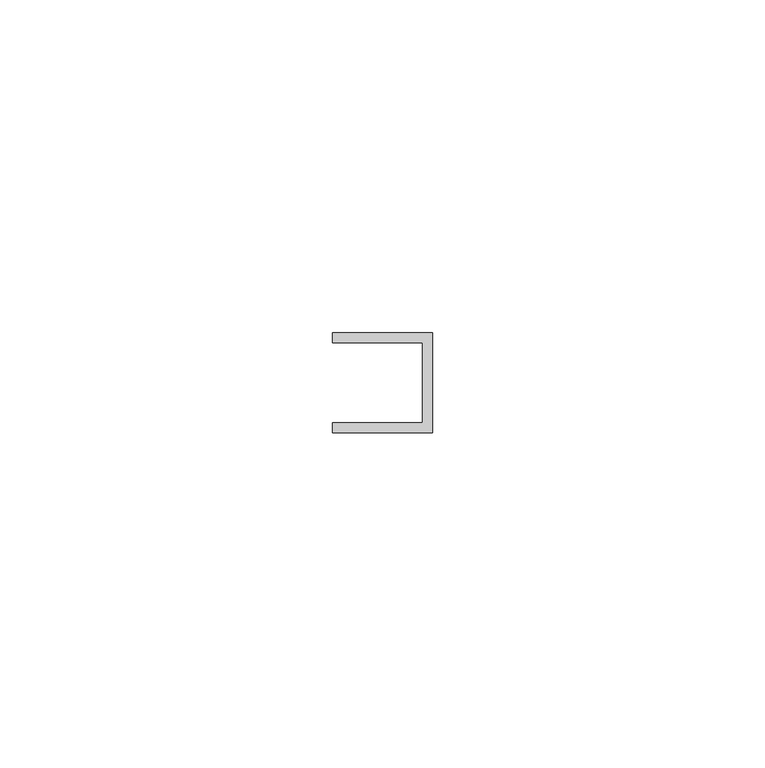
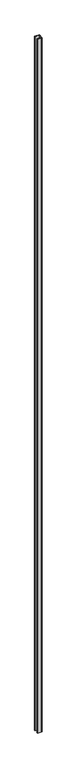
"""IFC4 building model written with IfcOpenShell, lengths in millimetres: member geometry."""

from ifc_helpers import new_model, si_unit, frame, origin, place, context, project, spatial, polyline, outline, extrude, source, transform, mapped, element, save


def member_ed8b093e(model_context):
    return source(origin(), model_context, "Body", "SweptSolid", [
        extrude(outline(polyline([(0.0, 7.5), (0.0, -7.5), (-15.0, -7.5), (-15.0, -6.0), (-1.5, -6.0), (-1.5, 6.0), (-15.0, 6.0), (-15.0, 7.5), (0.0, 7.5)])), frame((0.0, 0.0, -2358.0), z_axis=(0.0, 0.0, 1.0), x_axis=(1.0, 0.0, 0.0)), (0.0, 0.0, 1.0), 2358.0),
    ])


if __name__ == "__main__":
    model = new_model("IFC4")
    model_context = context("Model", 3, world=origin())
    ifc_project = project(units=[si_unit("LENGTHUNIT", "METRE", prefix="MILLI")], contexts=[model_context])
    site = spatial("IfcSite", under=ifc_project)
    building = spatial("IfcBuilding", under=site)
    placement = place(None, origin())
    member_shape = member_ed8b093e(model_context)
    element("IfcMember", 1, at=placement, inside=building, context=model_context, shape_type="MappedRepresentation", body=[
        mapped(member_shape, transform((0.0, 0.0, 0.0), x_axis=(1.0, 0.0, 0.0), y_axis=(0.0, 1.0, 0.0), z_axis=(0.0, 0.0, 1.0))),
    ])
    save(model, "model.ifc")
